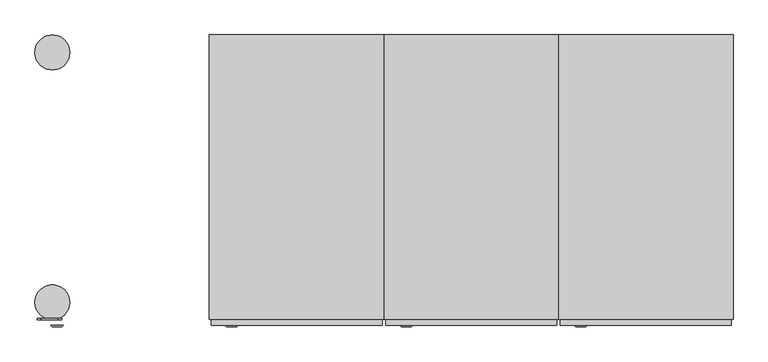
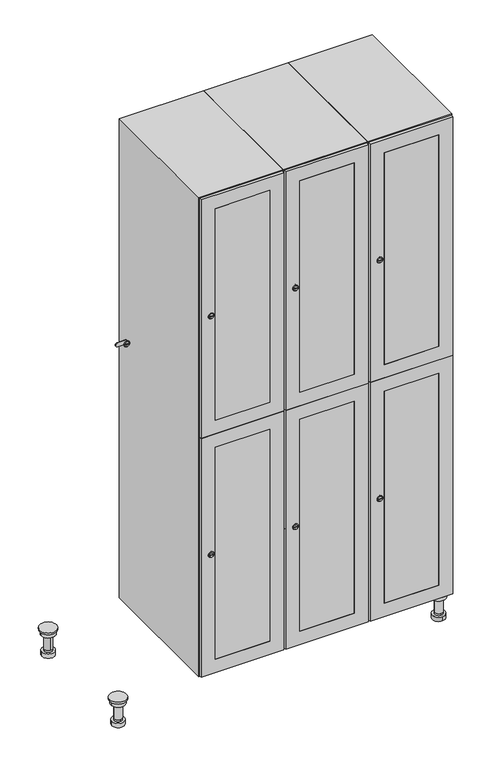
"""IFC4 building model written with IfcOpenShell, lengths in millimetres: furniture geometry."""

from ifc_helpers import new_model, si_unit, point, frame, frame_2d, origin, place, context, project, spatial, polyline, circle_curve, trimmed, segment, composite_curve, outline, extrude, faceted_brep, source, transform, mapped, element, save
from ifc_brep_helpers import plane_surface, cylinder_surface, revolved_surface, advanced_brep


def furniture_505eb385(model_context):
    return source(origin(), model_context, "Body", "SolidModel", [
        advanced_brep(
        [(970.0, -201.0, 22.0), (970.0, -201.5, 16.0), (970.0, -228.5, 16.0), (970.0, -229.0, 22.0), (956.0, -215.0, 22.0), (984.0, -215.0, 22.0), (970.0, -192.5, 16.0), (970.0, -237.5, 16.0), (970.0, -192.5, 0.0), (970.0, -237.5, 0.0), (984.0, -215.0, 78.0), (956.0, -215.0, 78.0), (995.0, -215.0, 78.0), (945.0, -215.0, 78.0), (1000.0, -215.0, 94.0), (940.0, -215.0, 94.0), (945.0, -215.0, 94.0), (995.0, -215.0, 94.0), (1000.0, -215.0, 100.0), (940.0, -215.0, 100.0)],
        [
            (0, 1),
            (1, 2, circle_curve(frame((970.0, -215.0, 16.0), z_axis=(0.0, 0.0, 1.0), x_axis=(0.0, -1.0, 0.0)), 13.5)),
            (2, 3),
            (3, 4, circle_curve(frame((970.0, -215.0, 22.0), z_axis=(0.0, 0.0, -1.0), x_axis=(0.0, -1.0, 0.0)), 14.0)),
            (4, 0, circle_curve(frame((970.0, -215.0, 22.0), z_axis=(0.0, 0.0, -1.0), x_axis=(0.0, -1.0, 0.0)), 14.0)),
            (0, 5, circle_curve(frame((970.0, -215.0, 22.0), z_axis=(0.0, 0.0, -1.0), x_axis=(0.0, 1.0, 0.0)), 14.0)),
            (5, 3, circle_curve(frame((970.0, -215.0, 22.0), z_axis=(0.0, 0.0, -1.0), x_axis=(0.0, 1.0, 0.0)), 14.0)),
            (2, 1, circle_curve(frame((970.0, -215.0, 16.0), z_axis=(0.0, 0.0, 1.0), x_axis=(0.0, 1.0, 0.0)), 13.5)),
            (6, 7, circle_curve(frame((970.0, -215.0, 16.0), z_axis=(0.0, 0.0, 1.0), x_axis=(0.0, -1.0, 0.0)), 22.5)),
            (7, 6, circle_curve(frame((970.0, -215.0, 16.0), z_axis=(0.0, 0.0, 1.0), x_axis=(0.0, -1.0, 0.0)), 22.5)),
            (8, 9, circle_curve(frame((970.0, -215.0, 0.0), z_axis=(0.0, 0.0, -1.0), x_axis=(0.0, -1.0, 0.0)), 22.5)),
            (9, 8, circle_curve(frame((970.0, -215.0, 0.0), z_axis=(0.0, 0.0, -1.0), x_axis=(0.0, -1.0, 0.0)), 22.5)),
            (6, 8),
            (9, 7),
            (5, 10),
            (10, 11, circle_curve(frame((970.0, -215.0, 78.0), z_axis=(0.0, 0.0, -1.0), x_axis=(-1.0, 0.0, 0.0)), 14.0)),
            (11, 4),
            (11, 10, circle_curve(frame((970.0, -215.0, 78.0), z_axis=(0.0, 0.0, -1.0), x_axis=(-1.0, 0.0, 0.0)), 14.0)),
            (12, 13, circle_curve(frame((970.0, -215.0, 78.0), z_axis=(0.0, 0.0, -1.0), x_axis=(-1.0, 0.0, 0.0)), 25.0)),
            (13, 12, circle_curve(frame((970.0, -215.0, 78.0), z_axis=(0.0, 0.0, -1.0), x_axis=(-1.0, 0.0, 0.0)), 25.0)),
            (14, 15, circle_curve(frame((970.0, -215.0, 94.0), z_axis=(0.0, 0.0, -1.0), x_axis=(-1.0, 0.0, 0.0)), 30.0)),
            (15, 14, circle_curve(frame((970.0, -215.0, 94.0), z_axis=(0.0, 0.0, -1.0), x_axis=(-1.0, 0.0, 0.0)), 30.0)),
            (16, 17, circle_curve(frame((970.0, -215.0, 94.0), z_axis=(0.0, 0.0, 1.0), x_axis=(-1.0, 0.0, 0.0)), 25.0)),
            (17, 16, circle_curve(frame((970.0, -215.0, 94.0), z_axis=(0.0, 0.0, 1.0), x_axis=(-1.0, 0.0, 0.0)), 25.0)),
            (18, 19, circle_curve(frame((970.0, -215.0, 100.0), z_axis=(0.0, 0.0, 1.0), x_axis=(-1.0, 0.0, 0.0)), 30.0)),
            (19, 18, circle_curve(frame((970.0, -215.0, 100.0), z_axis=(0.0, 0.0, 1.0), x_axis=(-1.0, 0.0, 0.0)), 30.0)),
            (14, 18),
            (19, 15),
            (12, 17),
            (16, 13),
        ],
        [
            revolved_surface(polyline([(970.0, -201.5, 16.0), (970.0, -201.0, 22.0)]), (970.0, -215.0, -146.0), (0.0, 0.0, 1.0)),
            plane_surface(frame((970.0, 0.0, 16.0), z_axis=(0.0, 0.0, 1.0), x_axis=(0.0, -1.0, 0.0))),
            plane_surface(frame((970.0, 0.0, 0.0), z_axis=(0.0, 0.0, -1.0), x_axis=(0.0, -1.0, 0.0))),
            cylinder_surface(frame((970.0, -215.0, 16.0), z_axis=(0.0, 0.0, 1.0), x_axis=(0.0, -1.0, 0.0)), 22.5),
            cylinder_surface(frame((970.0, -215.0, 22.0), z_axis=(0.0, 0.0, -1.0), x_axis=(-1.0, 0.0, 0.0)), 14.0),
            plane_surface(frame((970.0, 0.0, 78.0), z_axis=(0.0, 0.0, -1.0), x_axis=(0.0, -1.0, 0.0))),
            plane_surface(frame((970.0, 0.0, 94.0), z_axis=(0.0, 0.0, -1.0), x_axis=(0.0, -1.0, 0.0))),
            plane_surface(frame((970.0, 0.0, 100.0), z_axis=(0.0, 0.0, 1.0), x_axis=(0.0, -1.0, 0.0))),
            cylinder_surface(frame((970.0, -215.0, 94.0), z_axis=(0.0, 0.0, -1.0), x_axis=(-1.0, 0.0, 0.0)), 30.0),
            cylinder_surface(frame((970.0, -215.0, 78.0), z_axis=(0.0, 0.0, -1.0), x_axis=(-1.0, 0.0, 0.0)), 25.0),
        ],
        [
            (0, [[1, 2, 3, 4, 5]]),
            (0, [[-1, 6, 7, -3, 8]]),
            (1, [[9, 10], [-2, -8]]),
            (2, [[11, 12]]),
            (3, [[-9, 13, -12, 14]]),
            (3, [[-10, -14, -11, -13]]),
            (4, [[15, 16, 17, -4, -7]]),
            (4, [[-15, -6, -5, -17, 18]]),
            (5, [[19, 20], [-16, -18]]),
            (6, [[21, 22], [23, 24]]),
            (7, [[25, 26]]),
            (8, [[-21, 27, -26, 28]]),
            (8, [[-22, -28, -25, -27]]),
            (9, [[-19, 29, -23, 30]]),
            (9, [[-20, -30, -24, -29]]),
        ],
    ),
        advanced_brep(
        [(-170.0, -201.0, 22.0), (-170.0, -201.5, 16.0), (-170.0, -228.5, 16.0), (-170.0, -229.0, 22.0), (-184.0, -215.0, 22.0), (-156.0, -215.0, 22.0), (-147.5, -215.0, 0.0), (-192.5, -215.0, 0.0), (-147.5, -215.0, 16.0), (-192.5, -215.0, 16.0), (-156.0, -215.0, 78.0), (-184.0, -215.0, 78.0), (-145.0, -215.0, 78.0), (-195.0, -215.0, 78.0), (-140.0, -215.0, 94.0), (-200.0, -215.0, 94.0), (-195.0, -215.0, 94.0), (-145.0, -215.0, 94.0), (-140.0, -215.0, 100.0), (-200.0, -215.0, 100.0)],
        [
            (0, 1),
            (1, 2, circle_curve(frame((-170.0, -215.0, 16.0), z_axis=(0.0, 0.0, 1.0), x_axis=(0.0, -1.0, 0.0)), 13.5)),
            (2, 3),
            (3, 4, circle_curve(frame((-170.0, -215.0, 22.0), z_axis=(0.0, 0.0, -1.0), x_axis=(0.0, -1.0, 0.0)), 14.0)),
            (4, 0, circle_curve(frame((-170.0, -215.0, 22.0), z_axis=(0.0, 0.0, -1.0), x_axis=(0.0, -1.0, 0.0)), 14.0)),
            (0, 5, circle_curve(frame((-170.0, -215.0, 22.0), z_axis=(0.0, 0.0, -1.0), x_axis=(0.0, 1.0, 0.0)), 14.0)),
            (5, 3, circle_curve(frame((-170.0, -215.0, 22.0), z_axis=(0.0, 0.0, -1.0), x_axis=(0.0, 1.0, 0.0)), 14.0)),
            (2, 1, circle_curve(frame((-170.0, -215.0, 16.0), z_axis=(0.0, 0.0, 1.0), x_axis=(0.0, 1.0, 0.0)), 13.5)),
            (6, 7, circle_curve(frame((-170.0, -215.0, 0.0), z_axis=(0.0, 0.0, -1.0), x_axis=(-1.0, 0.0, 0.0)), 22.5)),
            (7, 6, circle_curve(frame((-170.0, -215.0, 0.0), z_axis=(0.0, 0.0, -1.0), x_axis=(-1.0, 0.0, 0.0)), 22.5)),
            (8, 9, circle_curve(frame((-170.0, -215.0, 16.0), z_axis=(0.0, 0.0, 1.0), x_axis=(-1.0, 0.0, 0.0)), 22.5)),
            (9, 8, circle_curve(frame((-170.0, -215.0, 16.0), z_axis=(0.0, 0.0, 1.0), x_axis=(-1.0, 0.0, 0.0)), 22.5)),
            (6, 8),
            (9, 7),
            (5, 10),
            (10, 11, circle_curve(frame((-170.0, -215.0, 78.0), z_axis=(0.0, 0.0, -1.0), x_axis=(-1.0, 0.0, 0.0)), 14.0)),
            (11, 4),
            (11, 10, circle_curve(frame((-170.0, -215.0, 78.0), z_axis=(0.0, 0.0, -1.0), x_axis=(-1.0, 0.0, 0.0)), 14.0)),
            (12, 13, circle_curve(frame((-170.0, -215.0, 78.0), z_axis=(0.0, 0.0, -1.0), x_axis=(-1.0, 0.0, 0.0)), 25.0)),
            (13, 12, circle_curve(frame((-170.0, -215.0, 78.0), z_axis=(0.0, 0.0, -1.0), x_axis=(-1.0, 0.0, 0.0)), 25.0)),
            (14, 15, circle_curve(frame((-170.0, -215.0, 94.0), z_axis=(0.0, 0.0, -1.0), x_axis=(-1.0, 0.0, 0.0)), 30.0)),
            (15, 14, circle_curve(frame((-170.0, -215.0, 94.0), z_axis=(0.0, 0.0, -1.0), x_axis=(-1.0, 0.0, 0.0)), 30.0)),
            (16, 17, circle_curve(frame((-170.0, -215.0, 94.0), z_axis=(0.0, 0.0, 1.0), x_axis=(-1.0, 0.0, 0.0)), 25.0)),
            (17, 16, circle_curve(frame((-170.0, -215.0, 94.0), z_axis=(0.0, 0.0, 1.0), x_axis=(-1.0, 0.0, 0.0)), 25.0)),
            (18, 19, circle_curve(frame((-170.0, -215.0, 100.0), z_axis=(0.0, 0.0, 1.0), x_axis=(-1.0, 0.0, 0.0)), 30.0)),
            (19, 18, circle_curve(frame((-170.0, -215.0, 100.0), z_axis=(0.0, 0.0, 1.0), x_axis=(-1.0, 0.0, 0.0)), 30.0)),
            (14, 18),
            (19, 15),
            (12, 17),
            (16, 13),
        ],
        [
            revolved_surface(polyline([(-170.0, -201.5, 16.0), (-170.0, -201.0, 22.0)]), (-170.0, -215.0, -146.0), (0.0, 0.0, 1.0)),
            plane_surface(frame((-170.0, 0.0, 0.0), z_axis=(0.0, 0.0, -1.0), x_axis=(0.0, -1.0, 0.0))),
            plane_surface(frame((-170.0, 0.0, 16.0), z_axis=(0.0, 0.0, 1.0), x_axis=(0.0, -1.0, 0.0))),
            cylinder_surface(frame((-170.0, -215.0, 0.0), z_axis=(0.0, 0.0, -1.0), x_axis=(-1.0, 0.0, 0.0)), 22.5),
            cylinder_surface(frame((-170.0, -215.0, 22.0), z_axis=(0.0, 0.0, -1.0), x_axis=(-1.0, 0.0, 0.0)), 14.0),
            plane_surface(frame((-170.0, 0.0, 78.0), z_axis=(0.0, 0.0, -1.0), x_axis=(0.0, -1.0, 0.0))),
            plane_surface(frame((-170.0, 0.0, 94.0), z_axis=(0.0, 0.0, -1.0), x_axis=(0.0, -1.0, 0.0))),
            plane_surface(frame((-170.0, 0.0, 100.0), z_axis=(0.0, 0.0, 1.0), x_axis=(0.0, -1.0, 0.0))),
            cylinder_surface(frame((-170.0, -215.0, 94.0), z_axis=(0.0, 0.0, -1.0), x_axis=(-1.0, 0.0, 0.0)), 30.0),
            cylinder_surface(frame((-170.0, -215.0, 78.0), z_axis=(0.0, 0.0, -1.0), x_axis=(-1.0, 0.0, 0.0)), 25.0),
        ],
        [
            (0, [[1, 2, 3, 4, 5]]),
            (0, [[-1, 6, 7, -3, 8]]),
            (1, [[9, 10]]),
            (2, [[11, 12], [-2, -8]]),
            (3, [[-9, 13, -12, 14]]),
            (3, [[-10, -14, -11, -13]]),
            (4, [[15, 16, 17, -4, -7]]),
            (4, [[-15, -6, -5, -17, 18]]),
            (5, [[19, 20], [-16, -18]]),
            (6, [[21, 22], [23, 24]]),
            (7, [[25, 26]]),
            (8, [[-21, 27, -26, 28]]),
            (8, [[-22, -28, -25, -27]]),
            (9, [[-19, 29, -23, 30]]),
            (9, [[-20, -30, -24, -29]]),
        ],
    ),
        advanced_brep(
        [(983.5, 215.0, 16.0), (984.0, 215.0, 22.0), (956.0, 215.0, 22.0), (956.5, 215.0, 16.0), (992.5, 215.0, 0.0), (947.5, 215.0, 0.0), (992.5, 215.0, 16.0), (947.5, 215.0, 16.0), (984.0, 215.0, 78.0), (956.0, 215.0, 78.0), (995.0, 215.0, 78.0), (945.0, 215.0, 78.0), (1000.0, 215.0, 94.0), (940.0, 215.0, 94.0), (945.0, 215.0, 94.0), (995.0, 215.0, 94.0), (1000.0, 215.0, 100.0), (940.0, 215.0, 100.0)],
        [
            (0, 1),
            (1, 2, circle_curve(frame((970.0, 215.0, 22.0), z_axis=(0.0, 0.0, -1.0), x_axis=(-1.0, 0.0, 0.0)), 14.0)),
            (2, 3),
            (3, 0, circle_curve(frame((970.0, 215.0, 16.0), z_axis=(0.0, 0.0, 1.0), x_axis=(-1.0, 0.0, 0.0)), 13.5)),
            (0, 3, circle_curve(frame((970.0, 215.0, 16.0), z_axis=(0.0, 0.0, 1.0), x_axis=(1.0, 0.0, 0.0)), 13.5)),
            (2, 1, circle_curve(frame((970.0, 215.0, 22.0), z_axis=(0.0, 0.0, -1.0), x_axis=(1.0, 0.0, 0.0)), 14.0)),
            (4, 5, circle_curve(frame((970.0, 215.0, 0.0), z_axis=(0.0, 0.0, -1.0), x_axis=(-1.0, 0.0, 0.0)), 22.5)),
            (5, 4, circle_curve(frame((970.0, 215.0, 0.0), z_axis=(0.0, 0.0, -1.0), x_axis=(-1.0, 0.0, 0.0)), 22.5)),
            (6, 7, circle_curve(frame((970.0, 215.0, 16.0), z_axis=(0.0, 0.0, 1.0), x_axis=(-1.0, 0.0, 0.0)), 22.5)),
            (7, 6, circle_curve(frame((970.0, 215.0, 16.0), z_axis=(0.0, 0.0, 1.0), x_axis=(-1.0, 0.0, 0.0)), 22.5)),
            (4, 6),
            (7, 5),
            (1, 8),
            (8, 9, circle_curve(frame((970.0, 215.0, 78.0), z_axis=(0.0, 0.0, -1.0), x_axis=(-1.0, 0.0, 0.0)), 14.0)),
            (9, 2),
            (9, 8, circle_curve(frame((970.0, 215.0, 78.0), z_axis=(0.0, 0.0, -1.0), x_axis=(-1.0, 0.0, 0.0)), 14.0)),
            (10, 11, circle_curve(frame((970.0, 215.0, 78.0), z_axis=(0.0, 0.0, -1.0), x_axis=(-1.0, 0.0, 0.0)), 25.0)),
            (11, 10, circle_curve(frame((970.0, 215.0, 78.0), z_axis=(0.0, 0.0, -1.0), x_axis=(-1.0, 0.0, 0.0)), 25.0)),
            (12, 13, circle_curve(frame((970.0, 215.0, 94.0), z_axis=(0.0, 0.0, -1.0), x_axis=(-1.0, 0.0, 0.0)), 30.0)),
            (13, 12, circle_curve(frame((970.0, 215.0, 94.0), z_axis=(0.0, 0.0, -1.0), x_axis=(-1.0, 0.0, 0.0)), 30.0)),
            (14, 15, circle_curve(frame((970.0, 215.0, 94.0), z_axis=(0.0, 0.0, 1.0), x_axis=(-1.0, 0.0, 0.0)), 25.0)),
            (15, 14, circle_curve(frame((970.0, 215.0, 94.0), z_axis=(0.0, 0.0, 1.0), x_axis=(-1.0, 0.0, 0.0)), 25.0)),
            (16, 17, circle_curve(frame((970.0, 215.0, 100.0), z_axis=(0.0, 0.0, 1.0), x_axis=(-1.0, 0.0, 0.0)), 30.0)),
            (17, 16, circle_curve(frame((970.0, 215.0, 100.0), z_axis=(0.0, 0.0, 1.0), x_axis=(-1.0, 0.0, 0.0)), 30.0)),
            (12, 16),
            (17, 13),
            (10, 15),
            (14, 11),
        ],
        [
            revolved_surface(polyline([(983.5, 215.0, 16.0), (984.0, 215.0, 22.0)]), (970.0, 215.0, -146.0), (0.0, 0.0, 1.0)),
            plane_surface(frame((970.0, 0.0, 0.0), z_axis=(0.0, 0.0, -1.0), x_axis=(0.0, -1.0, 0.0))),
            plane_surface(frame((970.0, 0.0, 16.0), z_axis=(0.0, 0.0, 1.0), x_axis=(0.0, -1.0, 0.0))),
            cylinder_surface(frame((970.0, 215.0, 0.0), z_axis=(0.0, 0.0, -1.0), x_axis=(-1.0, 0.0, 0.0)), 22.5),
            cylinder_surface(frame((970.0, 215.0, 22.0), z_axis=(0.0, 0.0, -1.0), x_axis=(-1.0, 0.0, 0.0)), 14.0),
            plane_surface(frame((970.0, 0.0, 78.0), z_axis=(0.0, 0.0, -1.0), x_axis=(0.0, -1.0, 0.0))),
            plane_surface(frame((970.0, 0.0, 94.0), z_axis=(0.0, 0.0, -1.0), x_axis=(0.0, -1.0, 0.0))),
            plane_surface(frame((970.0, 0.0, 100.0), z_axis=(0.0, 0.0, 1.0), x_axis=(0.0, -1.0, 0.0))),
            cylinder_surface(frame((970.0, 215.0, 94.0), z_axis=(0.0, 0.0, -1.0), x_axis=(-1.0, 0.0, 0.0)), 30.0),
            cylinder_surface(frame((970.0, 215.0, 78.0), z_axis=(0.0, 0.0, -1.0), x_axis=(-1.0, 0.0, 0.0)), 25.0),
        ],
        [
            (0, [[1, 2, 3, 4]]),
            (0, [[-1, 5, -3, 6]]),
            (1, [[7, 8]]),
            (2, [[9, 10], [-4, -5]]),
            (3, [[-7, 11, -10, 12]]),
            (3, [[-8, -12, -9, -11]]),
            (4, [[13, 14, 15, -2]]),
            (4, [[-13, -6, -15, 16]]),
            (5, [[17, 18], [-14, -16]]),
            (6, [[19, 20], [21, 22]]),
            (7, [[23, 24]]),
            (8, [[-19, 25, -24, 26]]),
            (8, [[-20, -26, -23, -25]]),
            (9, [[-17, 27, -21, 28]]),
            (9, [[-18, -28, -22, -27]]),
        ],
    ),
        advanced_brep(
        [(-156.5, 215.0, 16.0), (-156.0, 215.0, 22.0), (-170.0, 201.0, 22.0), (-184.0, 215.0, 22.0), (-183.5, 215.0, 16.0), (-170.0, 229.0, 22.0), (-147.5, 215.0, 0.0), (-192.5, 215.0, 0.0), (-147.5, 215.0, 16.0), (-192.5, 215.0, 16.0), (-170.0, 229.0, 78.0), (-170.0, 201.0, 78.0), (-145.0, 215.0, 78.0), (-195.0, 215.0, 78.0), (-140.0, 215.0, 94.0), (-200.0, 215.0, 94.0), (-195.0, 215.0, 94.0), (-145.0, 215.0, 94.0), (-140.0, 215.0, 100.0), (-200.0, 215.0, 100.0)],
        [
            (0, 1),
            (1, 2, circle_curve(frame((-170.0, 215.0, 22.0), z_axis=(0.0, 0.0, -1.0), x_axis=(-1.0, 0.0, 0.0)), 14.0)),
            (2, 3, circle_curve(frame((-170.0, 215.0, 22.0), z_axis=(0.0, 0.0, -1.0), x_axis=(-1.0, 0.0, 0.0)), 14.0)),
            (3, 4),
            (4, 0, circle_curve(frame((-170.0, 215.0, 16.0), z_axis=(0.0, 0.0, 1.0), x_axis=(-1.0, 0.0, 0.0)), 13.5)),
            (0, 4, circle_curve(frame((-170.0, 215.0, 16.0), z_axis=(0.0, 0.0, 1.0), x_axis=(1.0, 0.0, 0.0)), 13.5)),
            (3, 5, circle_curve(frame((-170.0, 215.0, 22.0), z_axis=(0.0, 0.0, -1.0), x_axis=(1.0, 0.0, 0.0)), 14.0)),
            (5, 1, circle_curve(frame((-170.0, 215.0, 22.0), z_axis=(0.0, 0.0, -1.0), x_axis=(1.0, 0.0, 0.0)), 14.0)),
            (6, 7, circle_curve(frame((-170.0, 215.0, 0.0), z_axis=(0.0, 0.0, -1.0), x_axis=(-1.0, 0.0, 0.0)), 22.5)),
            (7, 6, circle_curve(frame((-170.0, 215.0, 0.0), z_axis=(0.0, 0.0, -1.0), x_axis=(-1.0, 0.0, 0.0)), 22.5)),
            (8, 9, circle_curve(frame((-170.0, 215.0, 16.0), z_axis=(0.0, 0.0, 1.0), x_axis=(-1.0, 0.0, 0.0)), 22.5)),
            (9, 8, circle_curve(frame((-170.0, 215.0, 16.0), z_axis=(0.0, 0.0, 1.0), x_axis=(-1.0, 0.0, 0.0)), 22.5)),
            (6, 8),
            (9, 7),
            (10, 5),
            (2, 11),
            (11, 10, circle_curve(frame((-170.0, 215.0, 78.0), z_axis=(0.0, 0.0, -1.0), x_axis=(0.0, -1.0, 0.0)), 14.0)),
            (10, 11, circle_curve(frame((-170.0, 215.0, 78.0), z_axis=(0.0, 0.0, -1.0), x_axis=(0.0, -1.0, 0.0)), 14.0)),
            (12, 13, circle_curve(frame((-170.0, 215.0, 78.0), z_axis=(0.0, 0.0, -1.0), x_axis=(-1.0, 0.0, 0.0)), 25.0)),
            (13, 12, circle_curve(frame((-170.0, 215.0, 78.0), z_axis=(0.0, 0.0, -1.0), x_axis=(-1.0, 0.0, 0.0)), 25.0)),
            (14, 15, circle_curve(frame((-170.0, 215.0, 94.0), z_axis=(0.0, 0.0, -1.0), x_axis=(-1.0, 0.0, 0.0)), 30.0)),
            (15, 14, circle_curve(frame((-170.0, 215.0, 94.0), z_axis=(0.0, 0.0, -1.0), x_axis=(-1.0, 0.0, 0.0)), 30.0)),
            (16, 17, circle_curve(frame((-170.0, 215.0, 94.0), z_axis=(0.0, 0.0, 1.0), x_axis=(-1.0, 0.0, 0.0)), 25.0)),
            (17, 16, circle_curve(frame((-170.0, 215.0, 94.0), z_axis=(0.0, 0.0, 1.0), x_axis=(-1.0, 0.0, 0.0)), 25.0)),
            (18, 19, circle_curve(frame((-170.0, 215.0, 100.0), z_axis=(0.0, 0.0, 1.0), x_axis=(-1.0, 0.0, 0.0)), 30.0)),
            (19, 18, circle_curve(frame((-170.0, 215.0, 100.0), z_axis=(0.0, 0.0, 1.0), x_axis=(-1.0, 0.0, 0.0)), 30.0)),
            (14, 18),
            (19, 15),
            (12, 17),
            (16, 13),
        ],
        [
            revolved_surface(polyline([(-156.5, 215.0, 16.0), (-156.0, 215.0, 22.0)]), (-170.0, 215.0, -146.0), (0.0, 0.0, 1.0)),
            plane_surface(frame((-170.0, 0.0, 0.0), z_axis=(0.0, 0.0, -1.0), x_axis=(0.0, -1.0, 0.0))),
            plane_surface(frame((-170.0, 0.0, 16.0), z_axis=(0.0, 0.0, 1.0), x_axis=(0.0, -1.0, 0.0))),
            cylinder_surface(frame((-170.0, 215.0, 0.0), z_axis=(0.0, 0.0, -1.0), x_axis=(-1.0, 0.0, 0.0)), 22.5),
            cylinder_surface(frame((-170.0, 215.0, 78.0), z_axis=(0.0, 0.0, 1.0), x_axis=(0.0, -1.0, 0.0)), 14.0),
            plane_surface(frame((-170.0, 0.0, 78.0), z_axis=(0.0, 0.0, -1.0), x_axis=(0.0, -1.0, 0.0))),
            plane_surface(frame((-170.0, 0.0, 94.0), z_axis=(0.0, 0.0, -1.0), x_axis=(0.0, -1.0, 0.0))),
            plane_surface(frame((-170.0, 0.0, 100.0), z_axis=(0.0, 0.0, 1.0), x_axis=(0.0, -1.0, 0.0))),
            cylinder_surface(frame((-170.0, 215.0, 94.0), z_axis=(0.0, 0.0, -1.0), x_axis=(-1.0, 0.0, 0.0)), 30.0),
            cylinder_surface(frame((-170.0, 215.0, 78.0), z_axis=(0.0, 0.0, -1.0), x_axis=(-1.0, 0.0, 0.0)), 25.0),
        ],
        [
            (0, [[1, 2, 3, 4, 5]]),
            (0, [[-1, 6, -4, 7, 8]]),
            (1, [[9, 10]]),
            (2, [[11, 12], [-5, -6]]),
            (3, [[-9, 13, -12, 14]]),
            (3, [[-10, -14, -11, -13]]),
            (4, [[15, -7, -3, 16, 17]]),
            (4, [[-15, 18, -16, -2, -8]]),
            (5, [[19, 20], [-17, -18]]),
            (6, [[21, 22], [23, 24]]),
            (7, [[25, 26]]),
            (8, [[-21, 27, -26, 28]]),
            (8, [[-22, -28, -25, -27]]),
            (9, [[-19, 29, -23, 30]]),
            (9, [[-20, -30, -24, -29]]),
        ],
    ),
        extrude(outline(composite_curve([segment(trimmed(circle_curve(frame_2d((1448.5, 711.2010534)), 7.0), [point((1455.5, 711.2010534))], [point((1441.5, 711.2010534))], False, "CARTESIAN"), True, "CONTINUOUS"), segment(polyline([(1441.5, 711.2010534), (1441.5, 739.2010534)]), True, "CONTINUOUS"), segment(trimmed(circle_curve(frame_2d((1448.5, 739.2010534)), 7.0), [point((1441.5, 739.2010534))], [point((1455.5, 739.2010534))], False, "CARTESIAN"), True, "CONTINUOUS"), segment(polyline([(1455.5, 739.2010534), (1455.5, 711.2010534)]), True, "CONTINUOUS")], self_intersect=False)), frame((0.0, -245.0, 0.0), z_axis=(0.0, 1.0, 0.0), x_axis=(0.0, 0.0, 1.0)), (0.0, 0.0, 1.0), 2.0),
        advanced_brep(
        [(746.5, -257.2, 1448.5), (729.5, -257.2, 1448.5), (733.0, -257.2, 1447.25), (733.0, -257.2, 1449.75), (743.0, -257.2, 1449.75), (743.0, -257.2, 1447.25), (748.5, -255.0, 1448.5), (727.5, -255.0, 1448.5), (733.0, -255.0, 1449.75), (733.0, -255.0, 1447.25), (743.0, -255.0, 1447.25), (743.0, -255.0, 1449.75)],
        [
            (0, 1, circle_curve(frame((738.0, -257.2, 1448.5), z_axis=(0.0, -1.0, 0.0), x_axis=(1.0, 0.0, 0.0)), 8.5)),
            (1, 0, circle_curve(frame((738.0, -257.2, 1448.5), z_axis=(0.0, -1.0, 0.0), x_axis=(-1.0, 0.0, 0.0)), 8.5)),
            (2, 3),
            (3, 4),
            (4, 5),
            (5, 2),
            (6, 7, circle_curve(frame((738.0, -255.0, 1448.5), z_axis=(0.0, 1.0, 0.0), x_axis=(-1.0, 0.0, 0.0)), 10.5)),
            (7, 6, circle_curve(frame((738.0, -255.0, 1448.5), z_axis=(0.0, 1.0, 0.0), x_axis=(1.0, 0.0, 0.0)), 10.5)),
            (8, 9),
            (9, 10),
            (10, 11),
            (11, 8),
            (0, 6),
            (7, 1),
            (8, 3),
            (2, 9),
            (11, 4),
            (10, 5),
        ],
        [
            plane_surface(frame((738.0, -257.2, 1448.5), z_axis=(0.0, -1.0, 0.0), x_axis=(0.0, 0.0, 1.0))),
            plane_surface(frame((738.0, -255.0, 1448.5), z_axis=(0.0, 1.0, 0.0), x_axis=(0.0, 0.0, 1.0))),
            revolved_surface(polyline([(746.5, -257.2, 1448.5), (748.5, -255.0, 1448.5)]), (738.0, -266.55, 1448.5), (0.0, 1.0, 0.0)),
            revolved_surface(polyline([(729.5, -257.2, 1448.5), (727.5, -255.0, 1448.5)]), (738.0, -266.55, 1448.5), (0.0, 1.0, 0.0)),
            plane_surface(frame((733.0, -255.0, 1447.25), z_axis=(1.0, 0.0, 0.0), x_axis=(0.0, -1.0, 0.0))),
            plane_surface(frame((733.0, -255.0, 1449.75), z_axis=(0.0, 0.0, -1.0), x_axis=(0.0, -1.0, 0.0))),
            plane_surface(frame((743.0, -255.0, 1449.75), z_axis=(-1.0, 0.0, 0.0), x_axis=(0.0, -1.0, 0.0))),
            plane_surface(frame((743.0, -255.0, 1447.25), z_axis=(0.0, 0.0, 1.0), x_axis=(0.0, -1.0, 0.0))),
        ],
        [
            (0, [[1, 2], [3, 4, 5, 6]]),
            (1, [[7, 8], [9, 10, 11, 12]]),
            (2, [[-1, 13, -8, 14]]),
            (3, [[-2, -14, -7, -13]]),
            (4, [[15, -3, 16, -9]]),
            (5, [[-15, -12, 17, -4]]),
            (6, [[-17, -11, 18, -5]]),
            (7, [[-16, -6, -18, -10]]),
        ],
    ),
        extrude(outline(composite_curve([segment(trimmed(circle_curve(frame_2d((551.5, 711.2010534)), 7.0), [point((558.5, 711.2010534))], [point((544.5, 711.2010534))], False, "CARTESIAN"), True, "CONTINUOUS"), segment(polyline([(544.5, 711.2010534), (544.5, 739.2010534)]), True, "CONTINUOUS"), segment(trimmed(circle_curve(frame_2d((551.5, 739.2010534)), 7.0), [point((544.5, 739.2010534))], [point((558.5, 739.2010534))], False, "CARTESIAN"), True, "CONTINUOUS"), segment(polyline([(558.5, 739.2010534), (558.5, 711.2010534)]), True, "CONTINUOUS")], self_intersect=False)), frame((0.0, -245.0, 0.0), z_axis=(0.0, 1.0, 0.0), x_axis=(0.0, 0.0, 1.0)), (0.0, 0.0, 1.0), 2.0),
        advanced_brep(
        [(746.5, -257.2, 551.5), (729.5, -257.2, 551.5), (733.0, -257.2, 550.25), (733.0, -257.2, 552.75), (743.0, -257.2, 552.75), (743.0, -257.2, 550.25), (748.5, -255.0, 551.5), (727.5, -255.0, 551.5), (733.0, -255.0, 552.75), (733.0, -255.0, 550.25), (743.0, -255.0, 550.25), (743.0, -255.0, 552.75)],
        [
            (0, 1, circle_curve(frame((738.0, -257.2, 551.5), z_axis=(0.0, -1.0, 0.0), x_axis=(1.0, 0.0, 0.0)), 8.5)),
            (1, 0, circle_curve(frame((738.0, -257.2, 551.5), z_axis=(0.0, -1.0, 0.0), x_axis=(-1.0, 0.0, 0.0)), 8.5)),
            (2, 3),
            (3, 4),
            (4, 5),
            (5, 2),
            (6, 7, circle_curve(frame((738.0, -255.0, 551.5), z_axis=(0.0, 1.0, 0.0), x_axis=(-1.0, 0.0, 0.0)), 10.5)),
            (7, 6, circle_curve(frame((738.0, -255.0, 551.5), z_axis=(0.0, 1.0, 0.0), x_axis=(1.0, 0.0, 0.0)), 10.5)),
            (8, 9),
            (9, 10),
            (10, 11),
            (11, 8),
            (0, 6),
            (7, 1),
            (8, 3),
            (2, 9),
            (11, 4),
            (10, 5),
        ],
        [
            plane_surface(frame((738.0, -257.2, 551.5), z_axis=(0.0, -1.0, 0.0), x_axis=(0.0, 0.0, 1.0))),
            plane_surface(frame((738.0, -255.0, 551.5), z_axis=(0.0, 1.0, 0.0), x_axis=(0.0, 0.0, 1.0))),
            revolved_surface(polyline([(746.5, -257.2, 551.5), (748.5, -255.0, 551.5)]), (738.0, -266.55, 551.5), (0.0, 1.0, 0.0)),
            revolved_surface(polyline([(729.5, -257.2, 551.5), (727.5, -255.0, 551.5)]), (738.0, -266.55, 551.5), (0.0, 1.0, 0.0)),
            plane_surface(frame((733.0, -255.0, 550.25), z_axis=(1.0, 0.0, 0.0), x_axis=(0.0, -1.0, 0.0))),
            plane_surface(frame((733.0, -255.0, 552.75), z_axis=(0.0, 0.0, -1.0), x_axis=(0.0, -1.0, 0.0))),
            plane_surface(frame((743.0, -255.0, 552.75), z_axis=(-1.0, 0.0, 0.0), x_axis=(0.0, -1.0, 0.0))),
            plane_surface(frame((743.0, -255.0, 550.25), z_axis=(0.0, 0.0, 1.0), x_axis=(0.0, -1.0, 0.0))),
        ],
        [
            (0, [[1, 2], [3, 4, 5, 6]]),
            (1, [[7, 8], [9, 10, 11, 12]]),
            (2, [[-1, 13, -8, 14]]),
            (3, [[-2, -14, -7, -13]]),
            (4, [[15, -3, 16, -9]]),
            (5, [[-15, -12, 17, -4]]),
            (6, [[-17, -11, 18, -5]]),
            (7, [[-16, -6, -18, -10]]),
        ],
    ),
        extrude(outline(polyline([(1000.5, 997.0), (1897.0, 997.0), (1897.0, 703.0), (1000.5, 703.0), (1000.5, 997.0)]), holes=[polyline([(1847.0, 753.0), (1847.0, 947.0), (1050.5, 947.0), (1050.5, 753.0), (1847.0, 753.0)])]), frame((0.0, -255.0, 0.0), z_axis=(0.0, 1.0, 0.0), x_axis=(0.0, 0.0, 1.0)), (0.0, 0.0, 1.0), 10.0),
        extrude(outline(polyline([(999.5, 703.0), (103.0, 703.0), (103.0, 997.0), (999.5, 997.0), (999.5, 703.0)]), holes=[polyline([(153.0, 753.0), (949.5, 753.0), (949.5, 947.0), (153.0, 947.0), (153.0, 753.0)])]), frame((0.0, -255.0, 0.0), z_axis=(0.0, 1.0, 0.0), x_axis=(0.0, 0.0, 1.0)), (0.0, 0.0, 1.0), 10.0),
        extrude(outline(polyline([(947.0, -255.0), (753.0, -255.0), (753.0, -245.0), (947.0, -245.0), (947.0, -255.0)])), frame((0.0, 0.0, 1050.5), z_axis=(0.0, 0.0, 1.0), x_axis=(1.0, 0.0, 0.0)), (0.0, 0.0, 1.0), 796.5),
        extrude(outline(polyline([(947.0, -255.0), (753.0, -255.0), (753.0, -245.0), (947.0, -245.0), (947.0, -255.0)])), frame((0.0, 0.0, 153.0), z_axis=(0.0, 0.0, 1.0), x_axis=(1.0, 0.0, 0.0)), (0.0, 0.0, 1.0), 796.5),
        extrude(outline(polyline([(990.0, 241.0), (990.0, -235.0), (710.0, -235.0), (710.0, 241.0), (990.0, 241.0)])), frame((0.0, 0.0, 995.0), z_axis=(0.0, 0.0, 1.0), x_axis=(1.0, 0.0, 0.0)), (0.0, 0.0, 1.0), 10.0),
        faceted_brep([(1000.0, -245.0, 100.0), (1000.0, -245.0, 1900.0), (700.0, -245.0, 1900.0), (700.0, -245.0, 100.0), (990.0, -245.0, 1890.0), (990.0, -245.0, 110.0), (710.0, -245.0, 110.0), (710.0, -245.0, 1890.0), (1000.0, 245.0, 100.0), (700.0, 245.0, 100.0), (1000.0, 245.0, 1900.0), (700.0, 245.0, 1900.0), (990.0, 241.0, 1890.0), (990.0, 241.0, 110.0), (700.0, 245.0, 1890.0), (710.0, 241.0, 1890.0), (710.0, 241.0, 110.0)], [[[0, 1, 2, 3], [4, 5, 6, 7]], [[8, 0, 3, 9]], [[1, 0, 8, 10]], [[1, 10, 11, 2]], [[4, 12, 13, 5]], [[9, 3, 2, 11, 14]], [[10, 8, 9, 14, 11]], [[12, 15, 16, 13]], [[15, 7, 6, 16]], [[4, 7, 15, 12]], [[6, 5, 13, 16]]]),
        extrude(outline(composite_curve([segment(trimmed(circle_curve(frame_2d((1448.5, 411.2010534)), 7.0), [point((1455.5, 411.2010534))], [point((1441.5, 411.2010534))], False, "CARTESIAN"), True, "CONTINUOUS"), segment(polyline([(1441.5, 411.2010534), (1441.5, 439.2010534)]), True, "CONTINUOUS"), segment(trimmed(circle_curve(frame_2d((1448.5, 439.2010534)), 7.0), [point((1441.5, 439.2010534))], [point((1455.5, 439.2010534))], False, "CARTESIAN"), True, "CONTINUOUS"), segment(polyline([(1455.5, 439.2010534), (1455.5, 411.2010534)]), True, "CONTINUOUS")], self_intersect=False)), frame((0.0, -245.0, 0.0), z_axis=(0.0, 1.0, 0.0), x_axis=(0.0, 0.0, 1.0)), (0.0, 0.0, 1.0), 2.0),
        advanced_brep(
        [(446.5, -257.2, 1448.5), (429.5, -257.2, 1448.5), (433.0, -257.2, 1447.25), (433.0, -257.2, 1449.75), (443.0, -257.2, 1449.75), (443.0, -257.2, 1447.25), (448.5, -255.0, 1448.5), (427.5, -255.0, 1448.5), (433.0, -255.0, 1449.75), (433.0, -255.0, 1447.25), (443.0, -255.0, 1447.25), (443.0, -255.0, 1449.75)],
        [
            (0, 1, circle_curve(frame((438.0, -257.2, 1448.5), z_axis=(0.0, -1.0, 0.0), x_axis=(1.0, 0.0, 0.0)), 8.5)),
            (1, 0, circle_curve(frame((438.0, -257.2, 1448.5), z_axis=(0.0, -1.0, 0.0), x_axis=(-1.0, 0.0, 0.0)), 8.5)),
            (2, 3),
            (3, 4),
            (4, 5),
            (5, 2),
            (6, 7, circle_curve(frame((438.0, -255.0, 1448.5), z_axis=(0.0, 1.0, 0.0), x_axis=(-1.0, 0.0, 0.0)), 10.5)),
            (7, 6, circle_curve(frame((438.0, -255.0, 1448.5), z_axis=(0.0, 1.0, 0.0), x_axis=(1.0, 0.0, 0.0)), 10.5)),
            (8, 9),
            (9, 10),
            (10, 11),
            (11, 8),
            (0, 6),
            (7, 1),
            (8, 3),
            (2, 9),
            (11, 4),
            (10, 5),
        ],
        [
            plane_surface(frame((438.0, -257.2, 1448.5), z_axis=(0.0, -1.0, 0.0), x_axis=(0.0, 0.0, 1.0))),
            plane_surface(frame((438.0, -255.0, 1448.5), z_axis=(0.0, 1.0, 0.0), x_axis=(0.0, 0.0, 1.0))),
            revolved_surface(polyline([(446.5, -257.2, 1448.5), (448.5, -255.0, 1448.5)]), (438.0, -266.55, 1448.5), (0.0, 1.0, 0.0)),
            revolved_surface(polyline([(429.5, -257.2, 1448.5), (427.5, -255.0, 1448.5)]), (438.0, -266.55, 1448.5), (0.0, 1.0, 0.0)),
            plane_surface(frame((433.0, -255.0, 1447.25), z_axis=(1.0, 0.0, 0.0), x_axis=(0.0, -1.0, 0.0))),
            plane_surface(frame((433.0, -255.0, 1449.75), z_axis=(0.0, 0.0, -1.0), x_axis=(0.0, -1.0, 0.0))),
            plane_surface(frame((443.0, -255.0, 1449.75), z_axis=(-1.0, 0.0, 0.0), x_axis=(0.0, -1.0, 0.0))),
            plane_surface(frame((443.0, -255.0, 1447.25), z_axis=(0.0, 0.0, 1.0), x_axis=(0.0, -1.0, 0.0))),
        ],
        [
            (0, [[1, 2], [3, 4, 5, 6]]),
            (1, [[7, 8], [9, 10, 11, 12]]),
            (2, [[-1, 13, -8, 14]]),
            (3, [[-2, -14, -7, -13]]),
            (4, [[15, -3, 16, -9]]),
            (5, [[-15, -12, 17, -4]]),
            (6, [[-17, -11, 18, -5]]),
            (7, [[-16, -6, -18, -10]]),
        ],
    ),
        extrude(outline(composite_curve([segment(trimmed(circle_curve(frame_2d((551.5, 411.2010534)), 7.0), [point((558.5, 411.2010534))], [point((544.5, 411.2010534))], False, "CARTESIAN"), True, "CONTINUOUS"), segment(polyline([(544.5, 411.2010534), (544.5, 439.2010534)]), True, "CONTINUOUS"), segment(trimmed(circle_curve(frame_2d((551.5, 439.2010534)), 7.0), [point((544.5, 439.2010534))], [point((558.5, 439.2010534))], False, "CARTESIAN"), True, "CONTINUOUS"), segment(polyline([(558.5, 439.2010534), (558.5, 411.2010534)]), True, "CONTINUOUS")], self_intersect=False)), frame((0.0, -245.0, 0.0), z_axis=(0.0, 1.0, 0.0), x_axis=(0.0, 0.0, 1.0)), (0.0, 0.0, 1.0), 2.0),
        advanced_brep(
        [(446.5, -257.2, 551.5), (429.5, -257.2, 551.5), (433.0, -257.2, 550.25), (433.0, -257.2, 552.75), (443.0, -257.2, 552.75), (443.0, -257.2, 550.25), (448.5, -255.0, 551.5), (427.5, -255.0, 551.5), (433.0, -255.0, 552.75), (433.0, -255.0, 550.25), (443.0, -255.0, 550.25), (443.0, -255.0, 552.75)],
        [
            (0, 1, circle_curve(frame((438.0, -257.2, 551.5), z_axis=(0.0, -1.0, 0.0), x_axis=(1.0, 0.0, 0.0)), 8.5)),
            (1, 0, circle_curve(frame((438.0, -257.2, 551.5), z_axis=(0.0, -1.0, 0.0), x_axis=(-1.0, 0.0, 0.0)), 8.5)),
            (2, 3),
            (3, 4),
            (4, 5),
            (5, 2),
            (6, 7, circle_curve(frame((438.0, -255.0, 551.5), z_axis=(0.0, 1.0, 0.0), x_axis=(-1.0, 0.0, 0.0)), 10.5)),
            (7, 6, circle_curve(frame((438.0, -255.0, 551.5), z_axis=(0.0, 1.0, 0.0), x_axis=(1.0, 0.0, 0.0)), 10.5)),
            (8, 9),
            (9, 10),
            (10, 11),
            (11, 8),
            (0, 6),
            (7, 1),
            (8, 3),
            (2, 9),
            (11, 4),
            (10, 5),
        ],
        [
            plane_surface(frame((438.0, -257.2, 551.5), z_axis=(0.0, -1.0, 0.0), x_axis=(0.0, 0.0, 1.0))),
            plane_surface(frame((438.0, -255.0, 551.5), z_axis=(0.0, 1.0, 0.0), x_axis=(0.0, 0.0, 1.0))),
            revolved_surface(polyline([(446.5, -257.2, 551.5), (448.5, -255.0, 551.5)]), (438.0, -266.55, 551.5), (0.0, 1.0, 0.0)),
            revolved_surface(polyline([(429.5, -257.2, 551.5), (427.5, -255.0, 551.5)]), (438.0, -266.55, 551.5), (0.0, 1.0, 0.0)),
            plane_surface(frame((433.0, -255.0, 550.25), z_axis=(1.0, 0.0, 0.0), x_axis=(0.0, -1.0, 0.0))),
            plane_surface(frame((433.0, -255.0, 552.75), z_axis=(0.0, 0.0, -1.0), x_axis=(0.0, -1.0, 0.0))),
            plane_surface(frame((443.0, -255.0, 552.75), z_axis=(-1.0, 0.0, 0.0), x_axis=(0.0, -1.0, 0.0))),
            plane_surface(frame((443.0, -255.0, 550.25), z_axis=(0.0, 0.0, 1.0), x_axis=(0.0, -1.0, 0.0))),
        ],
        [
            (0, [[1, 2], [3, 4, 5, 6]]),
            (1, [[7, 8], [9, 10, 11, 12]]),
            (2, [[-1, 13, -8, 14]]),
            (3, [[-2, -14, -7, -13]]),
            (4, [[15, -3, 16, -9]]),
            (5, [[-15, -12, 17, -4]]),
            (6, [[-17, -11, 18, -5]]),
            (7, [[-16, -6, -18, -10]]),
        ],
    ),
        extrude(outline(polyline([(1000.5, 697.0), (1897.0, 697.0), (1897.0, 403.0), (1000.5, 403.0), (1000.5, 697.0)]), holes=[polyline([(1847.0, 453.0), (1847.0, 647.0), (1050.5, 647.0), (1050.5, 453.0), (1847.0, 453.0)])]), frame((0.0, -255.0, 0.0), z_axis=(0.0, 1.0, 0.0), x_axis=(0.0, 0.0, 1.0)), (0.0, 0.0, 1.0), 10.0),
        extrude(outline(polyline([(999.5, 403.0), (103.0, 403.0), (103.0, 697.0), (999.5, 697.0), (999.5, 403.0)]), holes=[polyline([(153.0, 453.0), (949.5, 453.0), (949.5, 647.0), (153.0, 647.0), (153.0, 453.0)])]), frame((0.0, -255.0, 0.0), z_axis=(0.0, 1.0, 0.0), x_axis=(0.0, 0.0, 1.0)), (0.0, 0.0, 1.0), 10.0),
        extrude(outline(polyline([(647.0, -255.0), (453.0, -255.0), (453.0, -245.0), (647.0, -245.0), (647.0, -255.0)])), frame((0.0, 0.0, 1050.5), z_axis=(0.0, 0.0, 1.0), x_axis=(1.0, 0.0, 0.0)), (0.0, 0.0, 1.0), 796.5),
        extrude(outline(polyline([(647.0, -255.0), (453.0, -255.0), (453.0, -245.0), (647.0, -245.0), (647.0, -255.0)])), frame((0.0, 0.0, 153.0), z_axis=(0.0, 0.0, 1.0), x_axis=(1.0, 0.0, 0.0)), (0.0, 0.0, 1.0), 796.5),
        extrude(outline(polyline([(690.0, 241.0), (690.0, -235.0), (410.0, -235.0), (410.0, 241.0), (690.0, 241.0)])), frame((0.0, 0.0, 995.0), z_axis=(0.0, 0.0, 1.0), x_axis=(1.0, 0.0, 0.0)), (0.0, 0.0, 1.0), 10.0),
        faceted_brep([(700.0, -245.0, 100.0), (700.0, -245.0, 1900.0), (400.0, -245.0, 1900.0), (400.0, -245.0, 100.0), (690.0, -245.0, 1890.0), (690.0, -245.0, 110.0), (410.0, -245.0, 110.0), (410.0, -245.0, 1890.0), (700.0, 245.0, 100.0), (400.0, 245.0, 100.0), (700.0, 245.0, 1900.0), (400.0, 245.0, 1900.0), (690.0, 241.0, 1890.0), (690.0, 241.0, 110.0), (400.0, 245.0, 1890.0), (410.0, 241.0, 1890.0), (410.0, 241.0, 110.0)], [[[0, 1, 2, 3], [4, 5, 6, 7]], [[8, 0, 3, 9]], [[1, 0, 8, 10]], [[1, 10, 11, 2]], [[4, 12, 13, 5]], [[9, 3, 2, 11, 14]], [[10, 8, 9, 14, 11]], [[12, 15, 16, 13]], [[15, 7, 6, 16]], [[4, 7, 15, 12]], [[6, 5, 13, 16]]]),
        extrude(outline(composite_curve([segment(trimmed(circle_curve(frame_2d((1448.5, 111.2010534)), 7.0), [point((1455.5, 111.2010534))], [point((1441.5, 111.2010534))], False, "CARTESIAN"), True, "CONTINUOUS"), segment(polyline([(1441.5, 111.2010534), (1441.5, 139.2010534)]), True, "CONTINUOUS"), segment(trimmed(circle_curve(frame_2d((1448.5, 139.2010534)), 7.0), [point((1441.5, 139.2010534))], [point((1455.5, 139.2010534))], False, "CARTESIAN"), True, "CONTINUOUS"), segment(polyline([(1455.5, 139.2010534), (1455.5, 111.2010534)]), True, "CONTINUOUS")], self_intersect=False)), frame((0.0, -245.0, 0.0), z_axis=(0.0, 1.0, 0.0), x_axis=(0.0, 0.0, 1.0)), (0.0, 0.0, 1.0), 2.0),
        advanced_brep(
        [(146.5, -257.2, 1448.5), (129.5, -257.2, 1448.5), (133.0, -257.2, 1447.25), (133.0, -257.2, 1449.75), (143.0, -257.2, 1449.75), (143.0, -257.2, 1447.25), (148.5, -255.0, 1448.5), (127.5, -255.0, 1448.5), (133.0, -255.0, 1449.75), (133.0, -255.0, 1447.25), (143.0, -255.0, 1447.25), (143.0, -255.0, 1449.75)],
        [
            (0, 1, circle_curve(frame((138.0, -257.2, 1448.5), z_axis=(0.0, -1.0, 0.0), x_axis=(1.0, 0.0, 0.0)), 8.5)),
            (1, 0, circle_curve(frame((138.0, -257.2, 1448.5), z_axis=(0.0, -1.0, 0.0), x_axis=(-1.0, 0.0, 0.0)), 8.5)),
            (2, 3),
            (3, 4),
            (4, 5),
            (5, 2),
            (6, 7, circle_curve(frame((138.0, -255.0, 1448.5), z_axis=(0.0, 1.0, 0.0), x_axis=(-1.0, 0.0, 0.0)), 10.5)),
            (7, 6, circle_curve(frame((138.0, -255.0, 1448.5), z_axis=(0.0, 1.0, 0.0), x_axis=(1.0, 0.0, 0.0)), 10.5)),
            (8, 9),
            (9, 10),
            (10, 11),
            (11, 8),
            (0, 6),
            (7, 1),
            (8, 3),
            (2, 9),
            (11, 4),
            (10, 5),
        ],
        [
            plane_surface(frame((138.0, -257.2, 1448.5), z_axis=(0.0, -1.0, 0.0), x_axis=(0.0, 0.0, 1.0))),
            plane_surface(frame((138.0, -255.0, 1448.5), z_axis=(0.0, 1.0, 0.0), x_axis=(0.0, 0.0, 1.0))),
            revolved_surface(polyline([(146.5, -257.2, 1448.5), (148.5, -255.0, 1448.5)]), (138.0, -266.55, 1448.5), (0.0, 1.0, 0.0)),
            revolved_surface(polyline([(129.5, -257.2, 1448.5), (127.5, -255.0, 1448.5)]), (138.0, -266.55, 1448.5), (0.0, 1.0, 0.0)),
            plane_surface(frame((133.0, -255.0, 1447.25), z_axis=(1.0, 0.0, 0.0), x_axis=(0.0, -1.0, 0.0))),
            plane_surface(frame((133.0, -255.0, 1449.75), z_axis=(0.0, 0.0, -1.0), x_axis=(0.0, -1.0, 0.0))),
            plane_surface(frame((143.0, -255.0, 1449.75), z_axis=(-1.0, 0.0, 0.0), x_axis=(0.0, -1.0, 0.0))),
            plane_surface(frame((143.0, -255.0, 1447.25), z_axis=(0.0, 0.0, 1.0), x_axis=(0.0, -1.0, 0.0))),
        ],
        [
            (0, [[1, 2], [3, 4, 5, 6]]),
            (1, [[7, 8], [9, 10, 11, 12]]),
            (2, [[-1, 13, -8, 14]]),
            (3, [[-2, -14, -7, -13]]),
            (4, [[15, -3, 16, -9]]),
            (5, [[-15, -12, 17, -4]]),
            (6, [[-17, -11, 18, -5]]),
            (7, [[-16, -6, -18, -10]]),
        ],
    ),
        extrude(outline(composite_curve([segment(trimmed(circle_curve(frame_2d((551.5, 111.2010534)), 7.0), [point((558.5, 111.2010534))], [point((544.5, 111.2010534))], False, "CARTESIAN"), True, "CONTINUOUS"), segment(polyline([(544.5, 111.2010534), (544.5, 139.2010534)]), True, "CONTINUOUS"), segment(trimmed(circle_curve(frame_2d((551.5, 139.2010534)), 7.0), [point((544.5, 139.2010534))], [point((558.5, 139.2010534))], False, "CARTESIAN"), True, "CONTINUOUS"), segment(polyline([(558.5, 139.2010534), (558.5, 111.2010534)]), True, "CONTINUOUS")], self_intersect=False)), frame((0.0, -245.0, 0.0), z_axis=(0.0, 1.0, 0.0), x_axis=(0.0, 0.0, 1.0)), (0.0, 0.0, 1.0), 2.0),
        advanced_brep(
        [(146.5, -257.2, 551.5), (129.5, -257.2, 551.5), (133.0, -257.2, 550.25), (133.0, -257.2, 552.75), (143.0, -257.2, 552.75), (143.0, -257.2, 550.25), (148.5, -255.0, 551.5), (127.5, -255.0, 551.5), (133.0, -255.0, 552.75), (133.0, -255.0, 550.25), (143.0, -255.0, 550.25), (143.0, -255.0, 552.75)],
        [
            (0, 1, circle_curve(frame((138.0, -257.2, 551.5), z_axis=(0.0, -1.0, 0.0), x_axis=(1.0, 0.0, 0.0)), 8.5)),
            (1, 0, circle_curve(frame((138.0, -257.2, 551.5), z_axis=(0.0, -1.0, 0.0), x_axis=(-1.0, 0.0, 0.0)), 8.5)),
            (2, 3),
            (3, 4),
            (4, 5),
            (5, 2),
            (6, 7, circle_curve(frame((138.0, -255.0, 551.5), z_axis=(0.0, 1.0, 0.0), x_axis=(-1.0, 0.0, 0.0)), 10.5)),
            (7, 6, circle_curve(frame((138.0, -255.0, 551.5), z_axis=(0.0, 1.0, 0.0), x_axis=(1.0, 0.0, 0.0)), 10.5)),
            (8, 9),
            (9, 10),
            (10, 11),
            (11, 8),
            (0, 6),
            (7, 1),
            (8, 3),
            (2, 9),
            (11, 4),
            (10, 5),
        ],
        [
            plane_surface(frame((138.0, -257.2, 551.5), z_axis=(0.0, -1.0, 0.0), x_axis=(0.0, 0.0, 1.0))),
            plane_surface(frame((138.0, -255.0, 551.5), z_axis=(0.0, 1.0, 0.0), x_axis=(0.0, 0.0, 1.0))),
            revolved_surface(polyline([(146.5, -257.2, 551.5), (148.5, -255.0, 551.5)]), (138.0, -266.55, 551.5), (0.0, 1.0, 0.0)),
            revolved_surface(polyline([(129.5, -257.2, 551.5), (127.5, -255.0, 551.5)]), (138.0, -266.55, 551.5), (0.0, 1.0, 0.0)),
            plane_surface(frame((133.0, -255.0, 550.25), z_axis=(1.0, 0.0, 0.0), x_axis=(0.0, -1.0, 0.0))),
            plane_surface(frame((133.0, -255.0, 552.75), z_axis=(0.0, 0.0, -1.0), x_axis=(0.0, -1.0, 0.0))),
            plane_surface(frame((143.0, -255.0, 552.75), z_axis=(-1.0, 0.0, 0.0), x_axis=(0.0, -1.0, 0.0))),
            plane_surface(frame((143.0, -255.0, 550.25), z_axis=(0.0, 0.0, 1.0), x_axis=(0.0, -1.0, 0.0))),
        ],
        [
            (0, [[1, 2], [3, 4, 5, 6]]),
            (1, [[7, 8], [9, 10, 11, 12]]),
            (2, [[-1, 13, -8, 14]]),
            (3, [[-2, -14, -7, -13]]),
            (4, [[15, -3, 16, -9]]),
            (5, [[-15, -12, 17, -4]]),
            (6, [[-17, -11, 18, -5]]),
            (7, [[-16, -6, -18, -10]]),
        ],
    ),
        extrude(outline(polyline([(1000.5, 397.0), (1897.0, 397.0), (1897.0, 103.0), (1000.5, 103.0), (1000.5, 397.0)]), holes=[polyline([(1847.0, 153.0), (1847.0, 347.0), (1050.5, 347.0), (1050.5, 153.0), (1847.0, 153.0)])]), frame((0.0, -255.0, 0.0), z_axis=(0.0, 1.0, 0.0), x_axis=(0.0, 0.0, 1.0)), (0.0, 0.0, 1.0), 10.0),
        extrude(outline(polyline([(999.5, 103.0), (103.0, 103.0), (103.0, 397.0), (999.5, 397.0), (999.5, 103.0)]), holes=[polyline([(153.0, 153.0), (949.5, 153.0), (949.5, 347.0), (153.0, 347.0), (153.0, 153.0)])]), frame((0.0, -255.0, 0.0), z_axis=(0.0, 1.0, 0.0), x_axis=(0.0, 0.0, 1.0)), (0.0, 0.0, 1.0), 10.0),
        extrude(outline(polyline([(347.0, -255.0), (153.0, -255.0), (153.0, -245.0), (347.0, -245.0), (347.0, -255.0)])), frame((0.0, 0.0, 1050.5), z_axis=(0.0, 0.0, 1.0), x_axis=(1.0, 0.0, 0.0)), (0.0, 0.0, 1.0), 796.5),
        extrude(outline(polyline([(347.0, -255.0), (153.0, -255.0), (153.0, -245.0), (347.0, -245.0), (347.0, -255.0)])), frame((0.0, 0.0, 153.0), z_axis=(0.0, 0.0, 1.0), x_axis=(1.0, 0.0, 0.0)), (0.0, 0.0, 1.0), 796.5),
        extrude(outline(polyline([(390.0, 241.0), (390.0, -235.0), (110.0, -235.0), (110.0, 241.0), (390.0, 241.0)])), frame((0.0, 0.0, 995.0), z_axis=(0.0, 0.0, 1.0), x_axis=(1.0, 0.0, 0.0)), (0.0, 0.0, 1.0), 10.0),
        faceted_brep([(400.0, -245.0, 100.0), (400.0, -245.0, 1900.0), (100.0, -245.0, 1900.0), (100.0, -245.0, 100.0), (390.0, -245.0, 1890.0), (390.0, -245.0, 110.0), (110.0, -245.0, 110.0), (110.0, -245.0, 1890.0), (400.0, 245.0, 100.0), (100.0, 245.0, 100.0), (400.0, 245.0, 1900.0), (100.0, 245.0, 1900.0), (390.0, 241.0, 1890.0), (390.0, 241.0, 110.0), (100.0, 245.0, 1890.0), (110.0, 241.0, 1890.0), (110.0, 241.0, 110.0)], [[[0, 1, 2, 3], [4, 5, 6, 7]], [[8, 0, 3, 9]], [[1, 0, 8, 10]], [[1, 10, 11, 2]], [[4, 12, 13, 5]], [[9, 3, 2, 11, 14]], [[10, 8, 9, 14, 11]], [[12, 15, 16, 13]], [[15, 7, 6, 16]], [[4, 7, 15, 12]], [[6, 5, 13, 16]]]),
        extrude(outline(composite_curve([segment(trimmed(circle_curve(frame_2d((1448.5, -188.7989466)), 7.0), [point((1455.5, -188.7989466))], [point((1441.5, -188.7989466))], False, "CARTESIAN"), True, "CONTINUOUS"), segment(polyline([(1441.5, -188.7989466), (1441.5, -160.7989466)]), True, "CONTINUOUS"), segment(trimmed(circle_curve(frame_2d((1448.5, -160.7989466)), 7.0), [point((1441.5, -160.7989466))], [point((1455.5, -160.7989466))], False, "CARTESIAN"), True, "CONTINUOUS"), segment(polyline([(1455.5, -160.7989466), (1455.5, -188.7989466)]), True, "CONTINUOUS")], self_intersect=False)), frame((0.0, -245.0, 0.0), z_axis=(0.0, 1.0, 0.0), x_axis=(0.0, 0.0, 1.0)), (0.0, 0.0, 1.0), 2.0),
        advanced_brep(
        [(-153.5, -257.2, 1448.5), (-170.5, -257.2, 1448.5), (-167.0, -257.2, 1447.25), (-167.0, -257.2, 1449.75), (-157.0, -257.2, 1449.75), (-157.0, -257.2, 1447.25), (-151.5, -255.0, 1448.5), (-172.5, -255.0, 1448.5), (-167.0, -255.0, 1449.75), (-167.0, -255.0, 1447.25), (-157.0, -255.0, 1447.25), (-157.0, -255.0, 1449.75)],
        [
            (0, 1, circle_curve(frame((-162.0, -257.2, 1448.5), z_axis=(0.0, -1.0, 0.0), x_axis=(1.0, 0.0, 0.0)), 8.5)),
            (1, 0, circle_curve(frame((-162.0, -257.2, 1448.5), z_axis=(0.0, -1.0, 0.0), x_axis=(-1.0, 0.0, 0.0)), 8.5)),
            (2, 3),
            (3, 4),
            (4, 5),
            (5, 2),
            (6, 7, circle_curve(frame((-162.0, -255.0, 1448.5), z_axis=(0.0, 1.0, 0.0), x_axis=(-1.0, 0.0, 0.0)), 10.5)),
            (7, 6, circle_curve(frame((-162.0, -255.0, 1448.5), z_axis=(0.0, 1.0, 0.0), x_axis=(1.0, 0.0, 0.0)), 10.5)),
            (8, 9),
            (9, 10),
            (10, 11),
            (11, 8),
            (0, 6),
            (7, 1),
            (8, 3),
            (2, 9),
            (11, 4),
            (10, 5),
        ],
        [
            plane_surface(frame((-162.0, -257.2, 1448.5), z_axis=(0.0, -1.0, 0.0), x_axis=(0.0, 0.0, 1.0))),
            plane_surface(frame((-162.0, -255.0, 1448.5), z_axis=(0.0, 1.0, 0.0), x_axis=(0.0, 0.0, 1.0))),
            revolved_surface(polyline([(-153.5, -257.2, 1448.5), (-151.5, -255.0, 1448.5)]), (-162.0, -266.55, 1448.5), (0.0, 1.0, 0.0)),
            revolved_surface(polyline([(-170.5, -257.2, 1448.5), (-172.5, -255.0, 1448.5)]), (-162.0, -266.55, 1448.5), (0.0, 1.0, 0.0)),
            plane_surface(frame((-167.0, -255.0, 1447.25), z_axis=(1.0, 0.0, 0.0), x_axis=(0.0, -1.0, 0.0))),
            plane_surface(frame((-167.0, -255.0, 1449.75), z_axis=(0.0, 0.0, -1.0), x_axis=(0.0, -1.0, 0.0))),
            plane_surface(frame((-157.0, -255.0, 1449.75), z_axis=(-1.0, 0.0, 0.0), x_axis=(0.0, -1.0, 0.0))),
            plane_surface(frame((-157.0, -255.0, 1447.25), z_axis=(0.0, 0.0, 1.0), x_axis=(0.0, -1.0, 0.0))),
        ],
        [
            (0, [[1, 2], [3, 4, 5, 6]]),
            (1, [[7, 8], [9, 10, 11, 12]]),
            (2, [[-1, 13, -8, 14]]),
            (3, [[-2, -14, -7, -13]]),
            (4, [[15, -3, 16, -9]]),
            (5, [[-15, -12, 17, -4]]),
            (6, [[-17, -11, 18, -5]]),
            (7, [[-16, -6, -18, -10]]),
        ],
    ),
    ])


if __name__ == "__main__":
    model = new_model("IFC4")
    model_context = context("Model", 3, world=origin())
    ifc_project = project(units=[si_unit("LENGTHUNIT", "METRE", prefix="MILLI")], contexts=[model_context])
    site = spatial("IfcSite", under=ifc_project)
    building = spatial("IfcBuilding", under=site)
    placement = place(None, origin())
    furniture_shape = furniture_505eb385(model_context)
    element("IfcFurniture", 1, at=placement, inside=building, context=model_context, shape_type="MappedRepresentation", body=[
        mapped(furniture_shape, transform((0.0, 0.0, 0.0), x_axis=(1.0, 0.0, 0.0), y_axis=(0.0, 1.0, 0.0), z_axis=(0.0, 0.0, 1.0))),
    ])
    save(model, "model.ifc")
